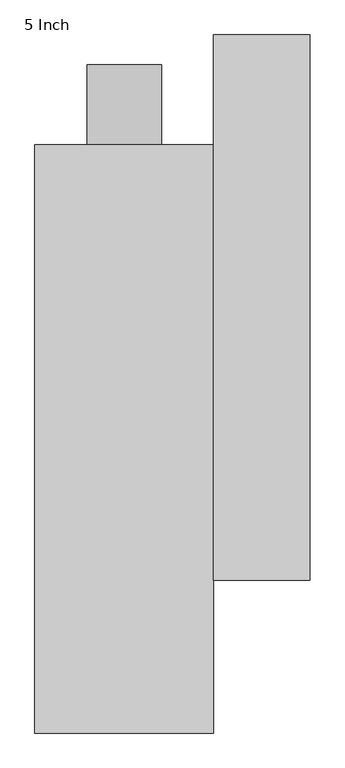
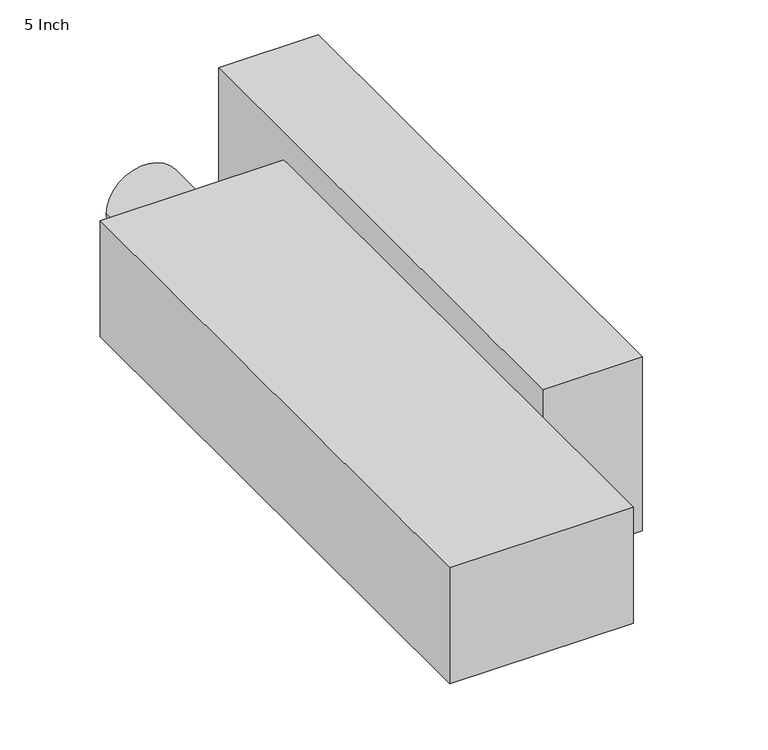
"""IFC4 building model written with IfcOpenShell, lengths in millimetres: proxy geometry, 5 Inch."""

from ifc_helpers import new_model, si_unit, point, frame, origin, origin_2d, place, context, project, spatial, polyline, circle_curve, trimmed, segment, composite_curve, outline, extrude, source, transform, mapped, element, save


def proxy_5_inch_f67720e1(model_context):
    return source(origin(), model_context, "Body", "SweptSolid", [
        extrude(outline(polyline([(152.4, -241.3), (152.4, 688.975), (317.5, 688.975), (317.5, -241.3), (152.4, -241.3)])), frame((0.0, 0.0, -155.575), z_axis=(0.0, 0.0, 1.0), x_axis=(1.0, 0.0, 0.0)), (0.0, 0.0, 1.0), 304.8),
        extrude(outline(composite_curve([segment(trimmed(circle_curve(origin_2d(), 63.5), [point((0.0, -63.5))], [point((0.0, 63.5))], False, "CARTESIAN"), True, "CONTINUOUS"), segment(trimmed(circle_curve(origin_2d(), 63.5), [point((0.0, 63.5))], [point((0.0, -63.5))], False, "CARTESIAN"), True, "CONTINUOUS")], self_intersect=False)), frame((0.0, 501.65, 0.0), z_axis=(0.0, 1.0, 0.0), x_axis=(0.0, 0.0, 1.0)), (0.0, 0.0, 1.0), 136.525),
        extrude(outline(polyline([(152.4, -501.65), (-152.4, -501.65), (-152.4, 501.65), (152.4, 501.65), (152.4, -501.65)])), frame((0.0, 0.0, -101.6), z_axis=(0.0, 0.0, 1.0), x_axis=(1.0, 0.0, 0.0)), (0.0, 0.0, 1.0), 203.2),
    ])


if __name__ == "__main__":
    model = new_model("IFC4")
    model_context = context("Model", 3, world=origin())
    ifc_project = project(units=[si_unit("LENGTHUNIT", "METRE", prefix="MILLI")], contexts=[model_context])
    site = spatial("IfcSite", under=ifc_project)
    building = spatial("IfcBuilding", under=site)
    placement = place(None, origin())
    proxy_5_inch_shape = proxy_5_inch_f67720e1(model_context)
    element("IfcBuildingElementProxy", 1, Name="5 Inch", ObjectType="5 Inch", at=placement, inside=building, context=model_context, shape_type="MappedRepresentation", body=[
        mapped(proxy_5_inch_shape, transform((0.0, 0.0, 0.0), x_axis=(1.0, 0.0, 0.0), y_axis=(0.0, 1.0, 0.0), z_axis=(0.0, 0.0, 1.0))),
    ])
    save(model, "model.ifc")
